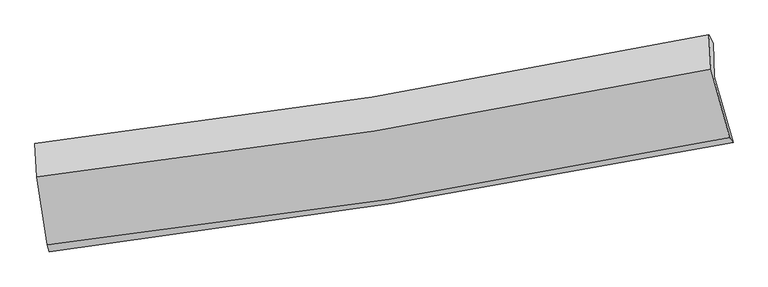
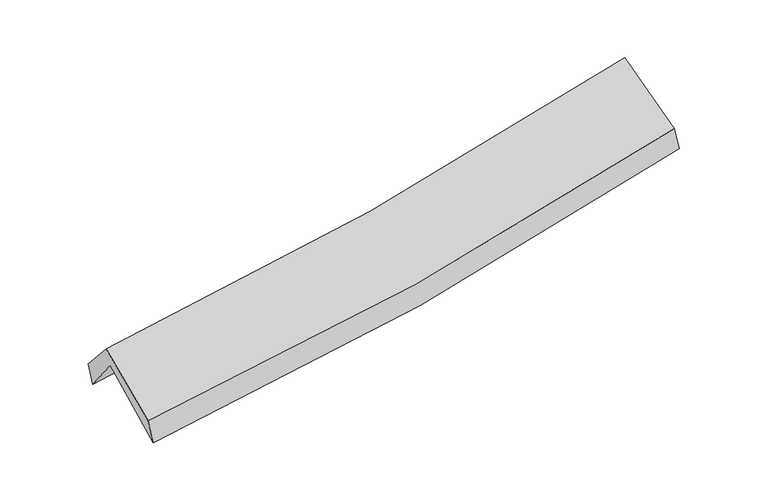
"""IFC4 building model written with IfcOpenShell, lengths in millimetres: proxy geometry."""

from ifc_helpers import new_model, si_unit, frame, origin, place, context, project, spatial, source, transform, mapped, element, save
from ifc_brep_helpers import plane_surface, spline_curve, spline_surface, advanced_brep


def generic_models_e666f0ed(model_context):
    return source(origin(), model_context, "Body", "AdvancedBrep", [
        advanced_brep(
        [(-2440.6994858, -2475.0122764, 1496.4600101), (-2521.2348471, -1967.2735072, 1930.1151326), (2459.8815827, -1181.6199508, 2371.0851195), (2596.9098727, -1668.4095443, 1949.0387321), (-2532.2664263, -1722.5778502, 1607.379543), (2449.2995641, -935.2593358, 2056.2922248), (-2546.1067521, -1677.8748439, 1774.7496096), (2419.3810661, -875.0352466, 2225.0848392), (-2532.6713268, -1925.1595791, 2057.1245073), (2433.9596442, -1126.8554003, 2513.0282945), (-2455.5384878, -2424.6919976, 1670.6888925), (2571.4509176, -1633.079488, 2119.1576573)],
        [
            (0, 1),
            (1, 2, spline_curve(3, [(-2521.2348471, -1967.2735072, 1930.1151326), (-1687.192402247, -1867.175471228, 1974.417617988), (-856.671901355, -1751.967601311, 2033.118081711), (803.755221634, -1490.318957299, 2179.883315226), (1633.6068644, -1343.642308485, 2268.172846917), (2459.8815827, -1181.6199508, 2371.0851195)], [4, 2, 4], [0.0, 8.324257979252423, 16.713238037679908])),
            (2, 3),
            (3, 0, spline_curve(3, [(2596.9098727, -1668.4095443, 1949.0387321), (1763.394073996, -1833.976773168, 1832.124380744), (925.191635906, -1984.178305485, 1735.886019332), (-754.083520943, -2252.809700794, 1585.344250851), (-1595.08420189, -2371.475745844, 1530.723038026), (-2440.6994858, -2475.0122764, 1496.4600101)], [4, 2, 4], [0.0, 8.388980058427485, 16.713238037679908])),
            (1, 4),
            (4, 5, spline_curve(3, [(-2532.2664263, -1722.5778502, 1607.379543), (-1699.722170203, -1613.766221212, 1658.021476545), (-869.916491097, -1494.047009082, 1720.560713978), (790.648256528, -1231.777779107, 1870.012549435), (1621.364574475, -1089.05748645, 1957.110872505), (2449.2995641, -935.2593358, 2056.2922248)], [4, 2, 4], [0.0, 8.27514696797533, 16.61463417127031])),
            (5, 2),
            (4, 6),
            (6, 7, spline_curve(3, [(-2546.1067521, -1677.8748439, 1774.7496096), (-1713.609639385, -1580.67184638, 1819.916968236), (-885.157114067, -1465.496001959, 1879.825947336), (770.06863099, -1198.163371191, 2029.707564006), (1596.77871135, -1045.72601677, 2119.910327812), (2419.3810661, -875.0352466, 2225.0848392)], [4, 2, 4], [0.0, 8.265778107466504, 16.595823606266666])),
            (7, 5),
            (6, 8),
            (8, 9, spline_curve(3, [(-2532.6713268, -1925.1595791, 2057.1245073), (-1699.948654056, -1829.39093698, 2104.190745709), (-871.288385601, -1715.310077296, 2165.513300821), (784.318688422, -1449.494550645, 2317.258678945), (1611.202076672, -1297.474017581, 2407.904052866), (2433.9596442, -1126.8554003, 2513.0282945)], [4, 2, 4], [0.0, 8.256816752852329, 16.577831221458307])),
            (9, 7),
            (8, 10),
            (10, 11, spline_curve(3, [(-2455.5384878, -2424.6919976, 1670.6888925), (-1611.095797365, -2333.201427435, 1709.727326055), (-771.561838352, -2221.821215492, 1766.405639115), (904.177925291, -1958.260869847, 1915.619856923), (1740.307101628, -1805.770245142, 2008.431132045), (2571.4509176, -1633.079488, 2119.1576573)], [4, 2, 4], [0.0, 8.30521251535228, 16.674999029170742])),
            (11, 9),
            (10, 0),
            (3, 11),
        ],
        [
            spline_surface(3, 3, [[(-2440.6994858, -2475.0122764, 1496.4600101), (-1595.084201979, -2371.475745832, 1530.723037968), (-754.083520828, -2252.809700776, 1585.344250715), (925.19163579, -1984.178305503, 1735.886019468), (1763.394074131, -1833.976773215, 1832.12438074), (2596.9098727, -1668.4095443, 1949.0387321)], [(-2467.544606222, -2305.766019973, 1641.011717592), (-1625.786935365, -2203.375654305, 1678.62123132), (-788.279647722, -2085.862334252, 1734.602194433), (884.712831101, -1819.558522766, 1883.885118046), (1720.131670869, -1670.53195167, 1977.473869507), (2551.233776037, -1506.146346458, 2089.720861257)], [(-2494.389726678, -2136.519763627, 1785.563425108), (-1656.489668784, -2035.275562859, 1826.519424696), (-822.475774582, -1918.914967786, 1883.860138084), (844.234026445, -1654.938740087, 2031.884216557), (1676.869267596, -1507.087130152, 2122.823358202), (2505.557679363, -1343.883148642, 2230.402990343)], [(-2521.2348471, -1967.2735072, 1930.1151326), (-1687.19240217, -1867.175471332, 1974.417618048), (-856.671901475, -1751.967601261, 2033.118081802), (803.755221755, -1490.31895735, 2179.883315134), (1633.606864334, -1343.642308607, 2268.172846968), (2459.8815827, -1181.6199508, 2371.0851195)]], [4, 4], [4, 2, 4], [0.0, 2.2220143579000116], [0.0, 8.324257979252423, 16.713238037679908]),
            spline_surface(3, 3, [[(-2521.2348471, -1967.2735072, 1930.1151326), (-1687.19240217, -1867.175471332, 1974.417618048), (-856.671901475, -1751.967601261, 2033.118081802), (803.755221755, -1490.31895735, 2179.883315134), (1633.606864334, -1343.642308607, 2268.172846968), (2459.8815827, -1181.6199508, 2371.0851195)], [(-2524.91204018, -1885.708288199, 1822.536602739), (-1691.368991562, -1782.705721334, 1868.95223754), (-861.086764715, -1665.994070533, 1928.932292497), (799.386233396, -1404.138564619, 2076.593059891), (1629.526101004, -1258.780701278, 2164.485522171), (2456.354243163, -1099.499745812, 2266.154154582)], [(-2528.58923322, -1804.143069201, 1714.958072861), (-1695.545580912, -1698.235971339, 1763.486857016), (-865.50162798, -1580.020539782, 1824.746503252), (795.017245011, -1317.958171867, 1973.302804709), (1625.445337685, -1173.919093912, 2060.798197427), (2452.826903637, -1017.379540788, 2161.223189718)], [(-2532.2664263, -1722.5778502, 1607.379543), (-1699.722170304, -1613.766221341, 1658.021476508), (-869.91649122, -1494.047009053, 1720.560713947), (790.648256651, -1231.777779136, 1870.012549466), (1621.364574355, -1089.057486583, 1957.11087263), (2449.2995641, -935.2593358, 2056.2922248)]], [4, 4], [4, 2, 4], [0.0, 1.3274462664720807], [0.0, 8.27514696797533, 16.61463417127031]),
            spline_surface(3, 3, [[(-2532.2664263, -1722.5778502, 1607.379543), (-1699.722170304, -1613.766221341, 1658.021476508), (-869.91649122, -1494.047009053, 1720.560713947), (790.648256651, -1231.777779136, 1870.012549466), (1621.364574355, -1089.057486583, 1957.11087263), (2449.2995641, -935.2593358, 2056.2922248)], [(-2536.879868223, -1707.676848129, 1663.169565194), (-1704.35132668, -1602.734763087, 1711.986640441), (-874.996698799, -1484.530006652, 1773.649125129), (783.788381399, -1220.572976498, 1923.244220945), (1613.169286725, -1074.613663316, 2011.377357733), (2439.32673144, -915.1846394, 2112.556429617)], [(-2541.493310177, -1692.775845971, 1718.959587406), (-1708.980483089, -1591.703304746, 1765.95180439), (-880.076906385, -1475.01300429, 1826.737536284), (776.928506139, -1209.368173899, 1976.475892397), (1604.973999076, -1060.16984005, 2065.643842785), (2429.35389876, -895.109943, 2168.820634383)], [(-2546.1067521, -1677.8748439, 1774.7496096), (-1713.609639465, -1580.671846493, 1819.916968323), (-885.157113964, -1465.496001889, 1879.825947466), (770.068630886, -1198.163371261, 2029.707563875), (1596.778711447, -1045.726016783, 2119.910327889), (2419.3810661, -875.0352466, 2225.0848392)]], [4, 4], [4, 2, 4], [0.0, 0.5363282370916891], [0.0, 8.265778107466504, 16.595823606266666]),
            spline_surface(3, 3, [[(-2546.1067521, -1677.8748439, 1774.7496096), (-1713.609639465, -1580.671846493, 1819.916968323), (-885.157113964, -1465.496001889, 1879.825947466), (770.068630886, -1198.163371261, 2029.707563875), (1596.778711447, -1045.726016783, 2119.910327889), (2419.3810661, -875.0352466, 2225.0848392)], [(-2541.62827702, -1760.303088944, 1868.874575511), (-1709.055977699, -1663.578209993, 1914.67489412), (-880.53420449, -1548.767360368, 1975.055065236), (774.818650056, -1281.940431072, 2125.557935573), (1601.586499893, -1129.642017012, 2215.908236233), (2424.240592134, -958.975297835, 2321.065990971)], [(-2537.14980188, -1842.731334056, 1962.999541389), (-1704.502315875, -1746.484573562, 2009.432819883), (-875.911295033, -1632.038718808, 2070.284183017), (779.568669209, -1365.717490844, 2221.408307282), (1606.394288338, -1213.558017238, 2311.906144566), (2429.100118166, -1042.915349065, 2417.047142729)], [(-2532.6713268, -1925.1595791, 2057.1245073), (-1699.948654109, -1829.390937062, 2104.19074568), (-871.288385559, -1715.310077287, 2165.513300787), (784.318688379, -1449.494550655, 2317.25867898), (1611.202076784, -1297.474017467, 2407.904052911), (2433.9596442, -1126.8554003, 2513.0282945)]], [4, 4], [4, 2, 4], [0.0, 1.249918175923674], [0.0, 8.256816752852329, 16.577831221458307]),
            spline_surface(3, 3, [[(-2532.6713268, -1925.1595791, 2057.1245073), (-1699.948654109, -1829.390937062, 2104.19074568), (-871.288385559, -1715.310077287, 2165.513300787), (784.318688379, -1449.494550655, 2317.25867898), (1611.202076784, -1297.474017467, 2407.904052911), (2433.9596442, -1126.8554003, 2513.0282945)], [(-2506.960380458, -2091.670385267, 1928.312635698), (-1670.331035196, -1997.327767164, 1972.702939158), (-838.046203198, -1884.147123344, 2032.477413585), (824.271767358, -1619.083323729, 2183.379071592), (1654.237085018, -1466.90609338, 2274.746412595), (2479.790068648, -1295.596762848, 2381.738082075)], [(-2481.249434142, -2258.181191433, 1799.500764102), (-1640.713416309, -2165.264597265, 1841.215132642), (-804.804020788, -2052.984169402, 1899.441526403), (864.224846388, -1788.672096805, 2049.499464223), (1697.272093308, -1636.338169348, 2141.588772354), (2525.620493152, -1464.338125452, 2250.447869725)], [(-2455.5384878, -2424.6919976, 1670.6888925), (-1611.095797396, -2333.201427367, 1709.72732612), (-771.561838427, -2221.821215459, 1766.405639202), (904.177925367, -1958.260869879, 1915.619856835), (1740.307101543, -1805.770245261, 2008.431132037), (2571.4509176, -1633.079488, 2119.1576573)]], [4, 4], [4, 2, 4], [0.0, 2.151600538514252], [0.0, 8.30521251535228, 16.674999029170742]),
            spline_surface(3, 3, [[(-2455.5384878, -2424.6919976, 1670.6888925), (-1611.095797396, -2333.201427367, 1709.72732612), (-771.561838427, -2221.821215459, 1766.405639202), (904.177925367, -1958.260869879, 1915.619856835), (1740.307101543, -1805.770245261, 2008.431132037), (2571.4509176, -1633.079488, 2119.1576573)], [(-2450.592153797, -2441.465423888, 1612.612598365), (-1605.758598921, -2345.959533543, 1650.059230068), (-765.735732549, -2232.150710577, 1706.051843039), (911.18249552, -1966.900015099, 1855.708577712), (1748.002759084, -1815.172421259, 1949.662214936), (2579.937235979, -1644.856173447, 2062.451348898)], [(-2445.645819803, -2458.238850112, 1554.536304235), (-1600.421400454, -2358.717639656, 1590.39113402), (-759.909626706, -2242.480205659, 1645.698046879), (918.187065638, -1975.539160283, 1795.797298592), (1755.69841659, -1824.574597217, 1890.893297841), (2588.423554321, -1656.632858853, 2005.745040502)], [(-2440.6994858, -2475.0122764, 1496.4600101), (-1595.084201979, -2371.475745832, 1530.723037968), (-754.083520828, -2252.809700776, 1585.344250715), (925.19163579, -1984.178305503, 1735.886019468), (1763.394074131, -1833.976773215, 1832.12438074), (2596.9098727, -1668.4095443, 1949.0387321)]], [4, 4], [4, 2, 4], [0.0, 0.6024680038527326], [0.0, 8.363400271476644, 16.791826958027446]),
            plane_surface(frame((2488.4804413, -1236.7098276, 2205.6144779), z_axis=(0.9774748763035707, 0.18089796904591895, 0.10871426304943163), x_axis=(0.209598938818264, -0.7717146622737381, -0.600437144818663))),
            plane_surface(frame((-2504.7528876, -2032.0983424, 1756.0862825), z_axis=(-0.9922295339592441, -0.11310657383074371, -0.05184066835306192), x_axis=(-0.08155263994295205, 0.2765517237479518, 0.9575324072898901))),
        ],
        [
            (0, [[1, 2, 3, 4]]),
            (1, [[5, 6, 7, -2]]),
            (2, [[8, 9, 10, -6]]),
            (3, [[11, 12, 13, -9]]),
            (4, [[14, 15, 16, -12]]),
            (5, [[17, -4, 18, -15]]),
            (6, [[-16, -18, -3, -7, -10, -13]]),
            (7, [[-17, -14, -11, -8, -5, -1]]),
        ],
    ),
    ])


if __name__ == "__main__":
    model = new_model("IFC4")
    model_context = context("Model", 3, world=origin())
    ifc_project = project(units=[si_unit("LENGTHUNIT", "METRE", prefix="MILLI")], contexts=[model_context])
    site = spatial("IfcSite", under=ifc_project)
    building = spatial("IfcBuilding", under=site)
    placement = place(None, origin())
    generic_models_shape = generic_models_e666f0ed(model_context)
    element("IfcBuildingElementProxy", 1, Name="Generic Models", at=placement, inside=building, context=model_context, shape_type="MappedRepresentation", body=[
        mapped(generic_models_shape, transform((0.0, 0.0, 0.0), x_axis=(1.0, 0.0, 0.0), y_axis=(0.0, 1.0, 0.0), z_axis=(0.0, 0.0, 1.0))),
    ])
    save(model, "model.ifc")
